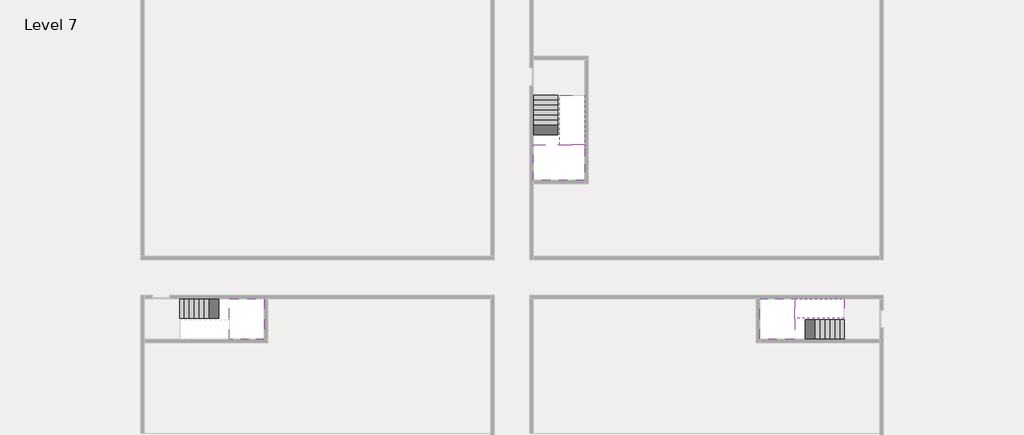
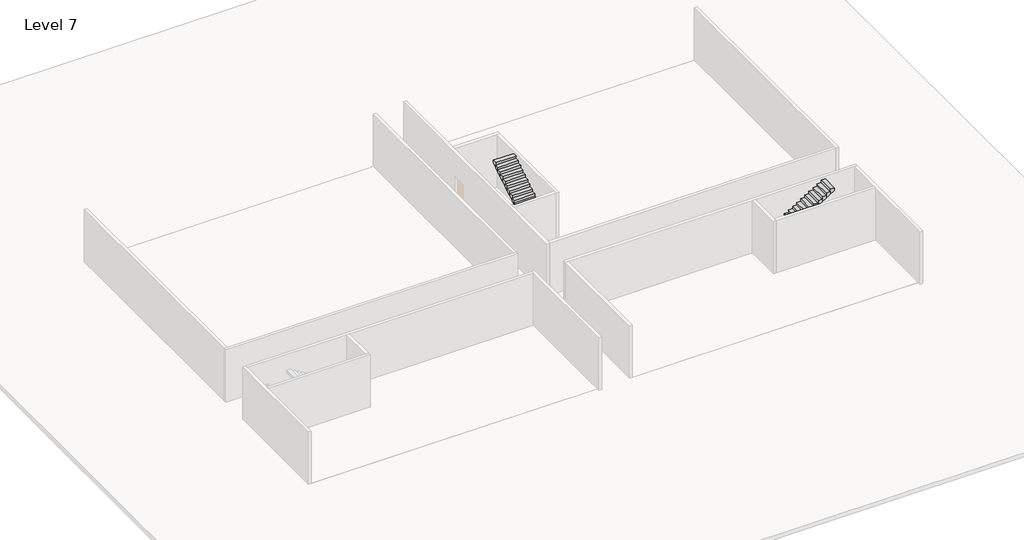
# One storey, part 2 of 2: 5 stair flights, 3 slabs.
"""IFC4 building model written with IfcOpenShell, lengths in millimetres."""

from ifc_helpers import new_model, si_unit, origin, place, context, project, spatial, faceted_brep, element, save

model = new_model("IFC4")

# Units and contexts
model_context = context("Model", 3, world=origin())
ifc_project = project(units=[si_unit("LENGTHUNIT", "METRE", prefix="MILLI")], contexts=[model_context])

# Site, building, storey
site = spatial("IfcSite", under=ifc_project)
building = spatial("IfcBuilding", under=site)
storey = spatial("IfcBuildingStorey", under=building, Name="Level 7", Elevation=22800.0)

# Slabs
placement = place(None, origin())
element("IfcSlab", 1, at=placement, inside=storey, context=model_context, shape_type="Brep", body=[
    faceted_brep([(8190.1058784, -42918.09644, 24700.0), (8190.1058784, -44018.09644, 24700.0), (8190.1058784, -44118.09644, 24700.0), (8190.1058784, -45218.09644, 24700.0), (8390.7194421, -45218.09644, 24700.0), (10190.1058784, -45218.09644, 24700.0), (10190.1058784, -42918.09644, 24700.0), (8269.4923146, -42918.09644, 24700.0), (8190.1058784, -42918.09644, 24527.2727273), (8190.1058784, -42918.09644, 24351.0278478), (8190.1058784, -44018.09644, 24351.0278478), (8190.1058784, -44018.09644, 24400.0), (8190.1058784, -44118.09644, 24400.0), (8190.1058784, -44118.09644, 24523.7551205), (8190.1058784, -45218.09644, 24523.7551205), (8390.7194421, -45218.09644, 24400.0), (10190.1058784, -45218.09644, 24400.0), (10190.1058784, -42918.09644, 24400.0), (8269.4923146, -42918.09644, 24400.0), (8390.7194421, -44118.09644, 24400.0), (8269.4923146, -44018.09644, 24400.0)], [[[0, 1, 2, 3, 4, 5, 6, 7]], [[1, 0, 8, 9, 10, 11]], [[2, 1, 11, 12, 13]], [[3, 2, 13, 14]], [[3, 14, 15, 16, 5, 4]], [[6, 5, 16, 17]], [[9, 8, 0, 7, 6, 17, 18]], [[19, 12, 11, 20, 18, 17, 16, 15]], [[12, 19, 13]], [[18, 20, 10, 9]], [[20, 11, 10]], [[19, 15, 14, 13]]]),
])
element("IfcSlab", 2, at=placement, inside=storey, context=model_context, shape_type="Brep", body=[
    faceted_brep([(40190.1058784, -45218.09644, 24700.0), (40190.1058784, -44118.09644, 24700.0), (40190.1058784, -44018.09644, 24700.0), (40190.1058784, -42918.09644, 24700.0), (39989.4923146, -42918.09644, 24700.0), (38190.1058784, -42918.09644, 24700.0), (38190.1058784, -45218.09644, 24700.0), (40110.7194421, -45218.09644, 24700.0), (40190.1058784, -45218.09644, 24527.2727273), (40190.1058784, -45218.09644, 24351.0278478), (40190.1058784, -44118.09644, 24351.0278478), (40190.1058784, -44118.09644, 24400.0), (40190.1058784, -44018.09644, 24400.0), (40190.1058784, -44018.09644, 24523.7551205), (40190.1058784, -42918.09644, 24523.7551205), (39989.4923146, -42918.09644, 24400.0), (38190.1058784, -42918.09644, 24400.0), (38190.1058784, -45218.09644, 24400.0), (40110.7194421, -45218.09644, 24400.0), (39989.4923146, -44018.09644, 24400.0), (40110.7194421, -44118.09644, 24400.0)], [[[0, 1, 2, 3, 4, 5, 6, 7]], [[1, 0, 8, 9, 10, 11]], [[2, 1, 11, 12, 13]], [[3, 2, 13, 14]], [[3, 14, 15, 16, 5, 4]], [[6, 5, 16, 17]], [[9, 8, 0, 7, 6, 17, 18]], [[19, 12, 11, 20, 18, 17, 16, 15]], [[12, 19, 13]], [[18, 20, 10, 9]], [[20, 11, 10]], [[19, 15, 14, 13]]]),
])
element("IfcSlab", 3, at=placement, inside=storey, context=model_context, shape_type="Brep", body=[
    faceted_brep([(26790.1058784, -34218.09644, 24700.0), (25390.1058784, -34218.09644, 24700.0), (25390.1058784, -34297.4828763, 24700.0), (25390.1058784, -36218.09644, 24700.0), (28290.1058784, -36218.09644, 24700.0), (28290.1058784, -34418.7100038, 24700.0), (28290.1058784, -34218.09644, 24700.0), (26890.1058784, -34218.09644, 24700.0), (26790.1058784, -34218.09644, 24400.0), (26790.1058784, -34218.09644, 24351.0278478), (25390.1058784, -34218.09644, 24351.0278478), (25390.1058784, -34218.09644, 24527.2727273), (25390.1058784, -34297.4828763, 24400.0), (25390.1058784, -36218.09644, 24400.0), (28290.1058784, -36218.09644, 24400.0), (28290.1058784, -34418.7100038, 24400.0), (28290.1058784, -34218.09644, 24523.7551205), (26890.1058784, -34218.09644, 24523.7551205), (26890.1058784, -34218.09644, 24400.0), (26890.1058784, -34418.7100038, 24400.0), (26790.1058784, -34297.4828763, 24400.0)], [[[0, 1, 2, 3, 4, 5, 6, 7]], [[1, 0, 8, 9, 10, 11]], [[1, 11, 10, 12, 13, 3, 2]], [[4, 3, 13, 14]], [[4, 14, 15, 16, 6, 5]], [[7, 6, 16, 17]], [[0, 7, 17, 18, 8]], [[18, 19, 15, 14, 13, 12, 20, 8]], [[19, 18, 17]], [[20, 12, 10, 9]], [[8, 20, 9]], [[15, 19, 17, 16]]]),
])

# Stair flights
element("IfcStairFlight", 4, at=placement, inside=storey, context=model_context, shape_type="Brep", body=[
    faceted_brep([(5670.1058784, -42918.09644, 22972.7272727), (5390.1058784, -42918.09644, 22972.7272727), (5390.1058784, -44018.09644, 22972.7272727), (5670.1058784, -44018.09644, 22972.7272727), (5670.1058784, -42918.09644, 22800.0), (5390.1058784, -42918.09644, 22800.0), (5390.1058784, -44018.09644, 22800.0), (5670.1058784, -44018.09644, 22800.0), (5950.1058784, -42918.09644, 23145.4545455), (5670.1058784, -42918.09644, 23145.4545455), (5670.1058784, -44018.09644, 23145.4545455), (5950.1058784, -44018.09644, 23145.4545455), (5950.1058784, -42918.09644, 22969.209666), (5675.8081041, -42918.09644, 22800.0), (5675.8081041, -44018.09644, 22800.0), (5950.1058784, -44018.09644, 22969.209666), (6230.1058784, -42918.09644, 23318.1818182), (5950.1058784, -42918.09644, 23318.1818182), (5950.1058784, -44018.09644, 23318.1818182), (6230.1058784, -44018.09644, 23318.1818182), (6230.1058784, -42918.09644, 23141.9369387), (6230.1058784, -44018.09644, 23141.9369387), (6510.1058784, -42918.09644, 23490.9090909), (6230.1058784, -42918.09644, 23490.9090909), (6230.1058784, -44018.09644, 23490.9090909), (6510.1058784, -44018.09644, 23490.9090909), (6510.1058784, -42918.09644, 23314.6642114), (6510.1058784, -44018.09644, 23314.6642114), (6790.1058784, -42918.09644, 23663.6363636), (6510.1058784, -42918.09644, 23663.6363636), (6510.1058784, -44018.09644, 23663.6363636), (6790.1058784, -44018.09644, 23663.6363636), (6790.1058784, -42918.09644, 23487.3914841), (6790.1058784, -44018.09644, 23487.3914841), (7070.1058784, -42918.09644, 23836.3636364), (6790.1058784, -42918.09644, 23836.3636364), (6790.1058784, -44018.09644, 23836.3636364), (7070.1058784, -44018.09644, 23836.3636364), (7070.1058784, -42918.09644, 23660.1187569), (7070.1058784, -44018.09644, 23660.1187569), (7350.1058784, -42918.09644, 24009.0909091), (7070.1058784, -42918.09644, 24009.0909091), (7070.1058784, -44018.09644, 24009.0909091), (7350.1058784, -44018.09644, 24009.0909091), (7350.1058784, -42918.09644, 23832.8460296), (7350.1058784, -44018.09644, 23832.8460296), (7630.1058784, -42918.09644, 24181.8181818), (7350.1058784, -42918.09644, 24181.8181818), (7350.1058784, -44018.09644, 24181.8181818), (7630.1058784, -44018.09644, 24181.8181818), (7630.1058784, -42918.09644, 24005.5733023), (7630.1058784, -44018.09644, 24005.5733023), (7910.1058784, -42918.09644, 24354.5454545), (7630.1058784, -42918.09644, 24354.5454545), (7630.1058784, -44018.09644, 24354.5454545), (7910.1058784, -44018.09644, 24354.5454545), (7910.1058784, -42918.09644, 24178.3005751), (7910.1058784, -44018.09644, 24178.3005751), (8190.1058784, -42918.09644, 24527.2727273), (7910.1058784, -42918.09644, 24527.2727273), (7910.1058784, -44018.09644, 24527.2727273), (8190.1058784, -44018.09644, 24527.2727273), (8190.1058784, -42918.09644, 24351.0278478), (8190.1058784, -44018.09644, 24351.0278478), (8190.1058784, -44018.09644, 24400.0)], [[[0, 1, 2, 3]], [[1, 0, 4, 5]], [[2, 1, 5, 6]], [[3, 2, 6, 7]], [[8, 9, 10, 11]], [[4, 0, 9, 8, 12, 13]], [[0, 3, 10, 9]], [[3, 7, 14, 15, 11, 10]], [[16, 17, 18, 19]], [[17, 16, 20, 12, 8]], [[8, 11, 18, 17]], [[19, 18, 11, 15, 21]], [[22, 23, 24, 25]], [[23, 22, 26, 20, 16]], [[16, 19, 24, 23]], [[25, 24, 19, 21, 27]], [[28, 29, 30, 31]], [[29, 28, 32, 26, 22]], [[22, 25, 30, 29]], [[31, 30, 25, 27, 33]], [[34, 35, 36, 37]], [[35, 34, 38, 32, 28]], [[28, 31, 36, 35]], [[37, 36, 31, 33, 39]], [[40, 41, 42, 43]], [[41, 40, 44, 38, 34]], [[34, 37, 42, 41]], [[43, 42, 37, 39, 45]], [[46, 47, 48, 49]], [[47, 46, 50, 44, 40]], [[40, 43, 48, 47]], [[49, 48, 43, 45, 51]], [[52, 53, 54, 55]], [[53, 52, 56, 50, 46]], [[46, 49, 54, 53]], [[55, 54, 49, 51, 57]], [[58, 59, 60, 61]], [[59, 58, 62, 56, 52]], [[52, 55, 60, 59]], [[61, 60, 55, 57, 63, 64]], [[58, 61, 64, 63, 62]], [[5, 4, 13, 14, 7, 6]], [[14, 13, 12, 20, 26, 32, 38, 44, 50, 56, 62, 63, 57, 51, 45, 39, 33, 27, 21, 15]]]),
])
element("IfcStairFlight", 5, at=placement, inside=storey, context=model_context, shape_type="Brep", body=[
    faceted_brep([(42710.1058784, -45218.09644, 22972.7272727), (42990.1058784, -45218.09644, 22972.7272727), (42990.1058784, -44118.09644, 22972.7272727), (42710.1058784, -44118.09644, 22972.7272727), (42710.1058784, -45218.09644, 22800.0), (42990.1058784, -45218.09644, 22800.0), (42990.1058784, -44118.09644, 22800.0), (42710.1058784, -44118.09644, 22800.0), (42430.1058784, -45218.09644, 23145.4545455), (42710.1058784, -45218.09644, 23145.4545455), (42710.1058784, -44118.09644, 23145.4545455), (42430.1058784, -44118.09644, 23145.4545455), (42430.1058784, -45218.09644, 22969.209666), (42704.4036527, -45218.09644, 22800.0), (42704.4036527, -44118.09644, 22800.0), (42430.1058784, -44118.09644, 22969.209666), (42150.1058784, -45218.09644, 23318.1818182), (42430.1058784, -45218.09644, 23318.1818182), (42430.1058784, -44118.09644, 23318.1818182), (42150.1058784, -44118.09644, 23318.1818182), (42150.1058784, -45218.09644, 23141.9369387), (42150.1058784, -44118.09644, 23141.9369387), (41870.1058784, -45218.09644, 23490.9090909), (42150.1058784, -45218.09644, 23490.9090909), (42150.1058784, -44118.09644, 23490.9090909), (41870.1058784, -44118.09644, 23490.9090909), (41870.1058784, -45218.09644, 23314.6642114), (41870.1058784, -44118.09644, 23314.6642114), (41590.1058784, -45218.09644, 23663.6363636), (41870.1058784, -45218.09644, 23663.6363636), (41870.1058784, -44118.09644, 23663.6363636), (41590.1058784, -44118.09644, 23663.6363636), (41590.1058784, -45218.09644, 23487.3914841), (41590.1058784, -44118.09644, 23487.3914841), (41310.1058784, -45218.09644, 23836.3636364), (41590.1058784, -45218.09644, 23836.3636364), (41590.1058784, -44118.09644, 23836.3636364), (41310.1058784, -44118.09644, 23836.3636364), (41310.1058784, -45218.09644, 23660.1187569), (41310.1058784, -44118.09644, 23660.1187569), (41030.1058784, -45218.09644, 24009.0909091), (41310.1058784, -45218.09644, 24009.0909091), (41310.1058784, -44118.09644, 24009.0909091), (41030.1058784, -44118.09644, 24009.0909091), (41030.1058784, -45218.09644, 23832.8460296), (41030.1058784, -44118.09644, 23832.8460296), (40750.1058784, -45218.09644, 24181.8181818), (41030.1058784, -45218.09644, 24181.8181818), (41030.1058784, -44118.09644, 24181.8181818), (40750.1058784, -44118.09644, 24181.8181818), (40750.1058784, -45218.09644, 24005.5733023), (40750.1058784, -44118.09644, 24005.5733023), (40470.1058784, -45218.09644, 24354.5454545), (40750.1058784, -45218.09644, 24354.5454545), (40750.1058784, -44118.09644, 24354.5454545), (40470.1058784, -44118.09644, 24354.5454545), (40470.1058784, -45218.09644, 24178.3005751), (40470.1058784, -44118.09644, 24178.3005751), (40190.1058784, -45218.09644, 24527.2727273), (40470.1058784, -45218.09644, 24527.2727273), (40470.1058784, -44118.09644, 24527.2727273), (40190.1058784, -44118.09644, 24527.2727273), (40190.1058784, -45218.09644, 24351.0278478), (40190.1058784, -44118.09644, 24351.0278478), (40190.1058784, -44118.09644, 24400.0)], [[[0, 1, 2, 3]], [[1, 0, 4, 5]], [[2, 1, 5, 6]], [[3, 2, 6, 7]], [[8, 9, 10, 11]], [[4, 0, 9, 8, 12, 13]], [[0, 3, 10, 9]], [[3, 7, 14, 15, 11, 10]], [[16, 17, 18, 19]], [[17, 16, 20, 12, 8]], [[8, 11, 18, 17]], [[19, 18, 11, 15, 21]], [[22, 23, 24, 25]], [[23, 22, 26, 20, 16]], [[16, 19, 24, 23]], [[25, 24, 19, 21, 27]], [[28, 29, 30, 31]], [[29, 28, 32, 26, 22]], [[22, 25, 30, 29]], [[31, 30, 25, 27, 33]], [[34, 35, 36, 37]], [[35, 34, 38, 32, 28]], [[28, 31, 36, 35]], [[37, 36, 31, 33, 39]], [[40, 41, 42, 43]], [[41, 40, 44, 38, 34]], [[34, 37, 42, 41]], [[43, 42, 37, 39, 45]], [[46, 47, 48, 49]], [[47, 46, 50, 44, 40]], [[40, 43, 48, 47]], [[49, 48, 43, 45, 51]], [[52, 53, 54, 55]], [[53, 52, 56, 50, 46]], [[46, 49, 54, 53]], [[55, 54, 49, 51, 57]], [[58, 59, 60, 61]], [[59, 58, 62, 56, 52]], [[52, 55, 60, 59]], [[61, 60, 55, 57, 63, 64]], [[58, 61, 64, 63, 62]], [[5, 4, 13, 14, 7, 6]], [[14, 13, 12, 20, 26, 32, 38, 44, 50, 56, 62, 63, 57, 51, 45, 39, 33, 27, 21, 15]]]),
])
element("IfcStairFlight", 6, at=placement, inside=storey, context=model_context, shape_type="Brep", body=[
    faceted_brep([(40470.1058784, -42918.09644, 24872.7272727), (40190.1058784, -42918.09644, 24872.7272727), (40190.1058784, -44018.09644, 24872.7272727), (40470.1058784, -44018.09644, 24872.7272727), (40470.1058784, -42918.09644, 24696.4823932), (40190.1058784, -42918.09644, 24523.7551205), (40190.1058784, -42918.09644, 24700.0), (40190.1058784, -44018.09644, 24523.7551205), (40470.1058784, -44018.09644, 24696.4823932), (40750.1058784, -42918.09644, 25045.4545455), (40470.1058784, -42918.09644, 25045.4545455), (40470.1058784, -44018.09644, 25045.4545455), (40750.1058784, -44018.09644, 25045.4545455), (40750.1058784, -42918.09644, 24869.209666), (40750.1058784, -44018.09644, 24869.209666), (41030.1058784, -42918.09644, 25218.1818182), (40750.1058784, -42918.09644, 25218.1818182), (40750.1058784, -44018.09644, 25218.1818182), (41030.1058784, -44018.09644, 25218.1818182), (41030.1058784, -42918.09644, 25041.9369387), (41030.1058784, -44018.09644, 25041.9369387), (41310.1058784, -42918.09644, 25390.9090909), (41030.1058784, -42918.09644, 25390.9090909), (41030.1058784, -44018.09644, 25390.9090909), (41310.1058784, -44018.09644, 25390.9090909), (41310.1058784, -42918.09644, 25214.6642114), (41310.1058784, -44018.09644, 25214.6642114), (41590.1058784, -42918.09644, 25563.6363636), (41310.1058784, -42918.09644, 25563.6363636), (41310.1058784, -44018.09644, 25563.6363636), (41590.1058784, -44018.09644, 25563.6363636), (41590.1058784, -42918.09644, 25387.3914841), (41590.1058784, -44018.09644, 25387.3914841), (41870.1058784, -42918.09644, 25736.3636364), (41590.1058784, -42918.09644, 25736.3636364), (41590.1058784, -44018.09644, 25736.3636364), (41870.1058784, -44018.09644, 25736.3636364), (41870.1058784, -42918.09644, 25560.1187569), (41870.1058784, -44018.09644, 25560.1187569), (42150.1058784, -42918.09644, 25909.0909091), (41870.1058784, -42918.09644, 25909.0909091), (41870.1058784, -44018.09644, 25909.0909091), (42150.1058784, -44018.09644, 25909.0909091), (42150.1058784, -42918.09644, 25732.8460296), (42150.1058784, -44018.09644, 25732.8460296), (42430.1058784, -42918.09644, 26081.8181818), (42150.1058784, -42918.09644, 26081.8181818), (42150.1058784, -44018.09644, 26081.8181818), (42430.1058784, -44018.09644, 26081.8181818), (42430.1058784, -42918.09644, 25905.5733023), (42430.1058784, -44018.09644, 25905.5733023), (42710.1058784, -42918.09644, 26254.5454545), (42430.1058784, -42918.09644, 26254.5454545), (42430.1058784, -44018.09644, 26254.5454545), (42710.1058784, -44018.09644, 26254.5454545), (42710.1058784, -42918.09644, 26078.3005751), (42710.1058784, -44018.09644, 26078.3005751), (42990.1058784, -42918.09644, 26427.2727273), (42710.1058784, -42918.09644, 26427.2727273), (42710.1058784, -44018.09644, 26427.2727273), (42990.1058784, -44018.09644, 26427.2727273), (42990.1058784, -42918.09644, 26251.0278478), (42990.1058784, -44018.09644, 26251.0278478)], [[[0, 1, 2, 3]], [[1, 0, 4, 5, 6]], [[2, 1, 6, 5, 7]], [[3, 2, 7, 8]], [[9, 10, 11, 12]], [[10, 9, 13, 4, 0]], [[11, 10, 0, 3]], [[12, 11, 3, 8, 14]], [[15, 16, 17, 18]], [[16, 15, 19, 13, 9]], [[17, 16, 9, 12]], [[18, 17, 12, 14, 20]], [[21, 22, 23, 24]], [[22, 21, 25, 19, 15]], [[23, 22, 15, 18]], [[24, 23, 18, 20, 26]], [[27, 28, 29, 30]], [[28, 27, 31, 25, 21]], [[29, 28, 21, 24]], [[30, 29, 24, 26, 32]], [[33, 34, 35, 36]], [[34, 33, 37, 31, 27]], [[35, 34, 27, 30]], [[36, 35, 30, 32, 38]], [[39, 40, 41, 42]], [[40, 39, 43, 37, 33]], [[41, 40, 33, 36]], [[42, 41, 36, 38, 44]], [[45, 46, 47, 48]], [[46, 45, 49, 43, 39]], [[47, 46, 39, 42]], [[48, 47, 42, 44, 50]], [[51, 52, 53, 54]], [[52, 51, 55, 49, 45]], [[53, 52, 45, 48]], [[54, 53, 48, 50, 56]], [[57, 58, 59, 60]], [[58, 57, 61, 55, 51]], [[59, 58, 51, 54]], [[60, 59, 54, 56, 62]], [[57, 60, 62, 61]], [[5, 4, 13, 19, 25, 31, 37, 43, 49, 55, 61, 62, 56, 50, 44, 38, 32, 26, 20, 14, 8, 7]]]),
])
element("IfcStairFlight", 7, at=placement, inside=storey, context=model_context, shape_type="Brep", body=[
    faceted_brep([(26790.1058784, -31698.09644, 22972.7272727), (26790.1058784, -31418.09644, 22972.7272727), (25390.1058784, -31418.09644, 22972.7272727), (25390.1058784, -31698.09644, 22972.7272727), (26790.1058784, -31698.09644, 22800.0), (26790.1058784, -31418.09644, 22800.0), (25390.1058784, -31418.09644, 22800.0), (25390.1058784, -31698.09644, 22800.0), (26790.1058784, -31978.09644, 23145.4545455), (26790.1058784, -31698.09644, 23145.4545455), (25390.1058784, -31698.09644, 23145.4545455), (25390.1058784, -31978.09644, 23145.4545455), (26790.1058784, -31978.09644, 22969.209666), (26790.1058784, -31703.7986657, 22800.0), (25390.1058784, -31703.7986657, 22800.0), (25390.1058784, -31978.09644, 22969.209666), (26790.1058784, -32258.09644, 23318.1818182), (26790.1058784, -31978.09644, 23318.1818182), (25390.1058784, -31978.09644, 23318.1818182), (25390.1058784, -32258.09644, 23318.1818182), (26790.1058784, -32258.09644, 23141.9369387), (25390.1058784, -32258.09644, 23141.9369387), (26790.1058784, -32538.09644, 23490.9090909), (26790.1058784, -32258.09644, 23490.9090909), (25390.1058784, -32258.09644, 23490.9090909), (25390.1058784, -32538.09644, 23490.9090909), (26790.1058784, -32538.09644, 23314.6642114), (25390.1058784, -32538.09644, 23314.6642114), (26790.1058784, -32818.09644, 23663.6363636), (26790.1058784, -32538.09644, 23663.6363636), (25390.1058784, -32538.09644, 23663.6363636), (25390.1058784, -32818.09644, 23663.6363636), (26790.1058784, -32818.09644, 23487.3914841), (25390.1058784, -32818.09644, 23487.3914841), (26790.1058784, -33098.09644, 23836.3636364), (26790.1058784, -32818.09644, 23836.3636364), (25390.1058784, -32818.09644, 23836.3636364), (25390.1058784, -33098.09644, 23836.3636364), (26790.1058784, -33098.09644, 23660.1187569), (25390.1058784, -33098.09644, 23660.1187569), (26790.1058784, -33378.09644, 24009.0909091), (26790.1058784, -33098.09644, 24009.0909091), (25390.1058784, -33098.09644, 24009.0909091), (25390.1058784, -33378.09644, 24009.0909091), (26790.1058784, -33378.09644, 23832.8460296), (25390.1058784, -33378.09644, 23832.8460296), (26790.1058784, -33658.09644, 24181.8181818), (26790.1058784, -33378.09644, 24181.8181818), (25390.1058784, -33378.09644, 24181.8181818), (25390.1058784, -33658.09644, 24181.8181818), (26790.1058784, -33658.09644, 24005.5733023), (25390.1058784, -33658.09644, 24005.5733023), (26790.1058784, -33938.09644, 24354.5454545), (26790.1058784, -33658.09644, 24354.5454545), (25390.1058784, -33658.09644, 24354.5454545), (25390.1058784, -33938.09644, 24354.5454545), (26790.1058784, -33938.09644, 24178.3005751), (25390.1058784, -33938.09644, 24178.3005751), (26790.1058784, -34218.09644, 24527.2727273), (26790.1058784, -33938.09644, 24527.2727273), (25390.1058784, -33938.09644, 24527.2727273), (25390.1058784, -34218.09644, 24527.2727273), (26790.1058784, -34218.09644, 24400.0), (26790.1058784, -34218.09644, 24351.0278478), (25390.1058784, -34218.09644, 24351.0278478)], [[[0, 1, 2, 3]], [[1, 0, 4, 5]], [[2, 1, 5, 6]], [[3, 2, 6, 7]], [[8, 9, 10, 11]], [[4, 0, 9, 8, 12, 13]], [[0, 3, 10, 9]], [[3, 7, 14, 15, 11, 10]], [[16, 17, 18, 19]], [[17, 16, 20, 12, 8]], [[8, 11, 18, 17]], [[19, 18, 11, 15, 21]], [[22, 23, 24, 25]], [[23, 22, 26, 20, 16]], [[16, 19, 24, 23]], [[25, 24, 19, 21, 27]], [[28, 29, 30, 31]], [[29, 28, 32, 26, 22]], [[22, 25, 30, 29]], [[31, 30, 25, 27, 33]], [[34, 35, 36, 37]], [[35, 34, 38, 32, 28]], [[28, 31, 36, 35]], [[37, 36, 31, 33, 39]], [[40, 41, 42, 43]], [[41, 40, 44, 38, 34]], [[34, 37, 42, 41]], [[43, 42, 37, 39, 45]], [[46, 47, 48, 49]], [[47, 46, 50, 44, 40]], [[40, 43, 48, 47]], [[49, 48, 43, 45, 51]], [[52, 53, 54, 55]], [[53, 52, 56, 50, 46]], [[46, 49, 54, 53]], [[55, 54, 49, 51, 57]], [[58, 59, 60, 61]], [[59, 58, 62, 63, 56, 52]], [[52, 55, 60, 59]], [[61, 60, 55, 57, 64]], [[58, 61, 64, 63, 62]], [[5, 4, 13, 14, 7, 6]], [[14, 13, 12, 20, 26, 32, 38, 44, 50, 56, 63, 64, 57, 51, 45, 39, 33, 27, 21, 15]]]),
])
element("IfcStairFlight", 8, at=placement, inside=storey, context=model_context, shape_type="Brep", body=[
    faceted_brep([(26890.1058784, -33938.09644, 24872.7272727), (26890.1058784, -34218.09644, 24872.7272727), (28290.1058784, -34218.09644, 24872.7272727), (28290.1058784, -33938.09644, 24872.7272727), (26890.1058784, -33938.09644, 24696.4823932), (26890.1058784, -34218.09644, 24523.7551205), (28290.1058784, -34218.09644, 24523.7551205), (28290.1058784, -34218.09644, 24700.0), (28290.1058784, -33938.09644, 24696.4823932), (26890.1058784, -33658.09644, 25045.4545455), (26890.1058784, -33938.09644, 25045.4545455), (28290.1058784, -33938.09644, 25045.4545455), (28290.1058784, -33658.09644, 25045.4545455), (26890.1058784, -33658.09644, 24869.209666), (28290.1058784, -33658.09644, 24869.209666), (26890.1058784, -33378.09644, 25218.1818182), (26890.1058784, -33658.09644, 25218.1818182), (28290.1058784, -33658.09644, 25218.1818182), (28290.1058784, -33378.09644, 25218.1818182), (26890.1058784, -33378.09644, 25041.9369387), (28290.1058784, -33378.09644, 25041.9369387), (26890.1058784, -33098.09644, 25390.9090909), (26890.1058784, -33378.09644, 25390.9090909), (28290.1058784, -33378.09644, 25390.9090909), (28290.1058784, -33098.09644, 25390.9090909), (26890.1058784, -33098.09644, 25214.6642114), (28290.1058784, -33098.09644, 25214.6642114), (26890.1058784, -32818.09644, 25563.6363636), (26890.1058784, -33098.09644, 25563.6363636), (28290.1058784, -33098.09644, 25563.6363636), (28290.1058784, -32818.09644, 25563.6363636), (26890.1058784, -32818.09644, 25387.3914841), (28290.1058784, -32818.09644, 25387.3914841), (26890.1058784, -32538.09644, 25736.3636364), (26890.1058784, -32818.09644, 25736.3636364), (28290.1058784, -32818.09644, 25736.3636364), (28290.1058784, -32538.09644, 25736.3636364), (26890.1058784, -32538.09644, 25560.1187569), (28290.1058784, -32538.09644, 25560.1187569), (26890.1058784, -32258.09644, 25909.0909091), (26890.1058784, -32538.09644, 25909.0909091), (28290.1058784, -32538.09644, 25909.0909091), (28290.1058784, -32258.09644, 25909.0909091), (26890.1058784, -32258.09644, 25732.8460296), (28290.1058784, -32258.09644, 25732.8460296), (26890.1058784, -31978.09644, 26081.8181818), (26890.1058784, -32258.09644, 26081.8181818), (28290.1058784, -32258.09644, 26081.8181818), (28290.1058784, -31978.09644, 26081.8181818), (26890.1058784, -31978.09644, 25905.5733023), (28290.1058784, -31978.09644, 25905.5733023), (26890.1058784, -31698.09644, 26254.5454545), (26890.1058784, -31978.09644, 26254.5454545), (28290.1058784, -31978.09644, 26254.5454545), (28290.1058784, -31698.09644, 26254.5454545), (26890.1058784, -31698.09644, 26078.3005751), (28290.1058784, -31698.09644, 26078.3005751), (26890.1058784, -31418.09644, 26427.2727273), (26890.1058784, -31698.09644, 26427.2727273), (28290.1058784, -31698.09644, 26427.2727273), (28290.1058784, -31418.09644, 26427.2727273), (26890.1058784, -31418.09644, 26251.0278478), (28290.1058784, -31418.09644, 26251.0278478)], [[[0, 1, 2, 3]], [[1, 0, 4, 5]], [[2, 1, 5, 6, 7]], [[3, 2, 7, 6, 8]], [[9, 10, 11, 12]], [[10, 9, 13, 4, 0]], [[11, 10, 0, 3]], [[12, 11, 3, 8, 14]], [[15, 16, 17, 18]], [[16, 15, 19, 13, 9]], [[17, 16, 9, 12]], [[18, 17, 12, 14, 20]], [[21, 22, 23, 24]], [[22, 21, 25, 19, 15]], [[23, 22, 15, 18]], [[24, 23, 18, 20, 26]], [[27, 28, 29, 30]], [[28, 27, 31, 25, 21]], [[29, 28, 21, 24]], [[30, 29, 24, 26, 32]], [[33, 34, 35, 36]], [[34, 33, 37, 31, 27]], [[35, 34, 27, 30]], [[36, 35, 30, 32, 38]], [[39, 40, 41, 42]], [[40, 39, 43, 37, 33]], [[41, 40, 33, 36]], [[42, 41, 36, 38, 44]], [[45, 46, 47, 48]], [[46, 45, 49, 43, 39]], [[47, 46, 39, 42]], [[48, 47, 42, 44, 50]], [[51, 52, 53, 54]], [[52, 51, 55, 49, 45]], [[53, 52, 45, 48]], [[54, 53, 48, 50, 56]], [[57, 58, 59, 60]], [[58, 57, 61, 55, 51]], [[59, 58, 51, 54]], [[60, 59, 54, 56, 62]], [[57, 60, 62, 61]], [[5, 4, 13, 19, 25, 31, 37, 43, 49, 55, 61, 62, 56, 50, 44, 38, 32, 26, 20, 14, 8, 6]]]),
])

save(model, "model.ifc")
